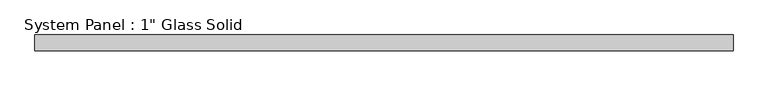
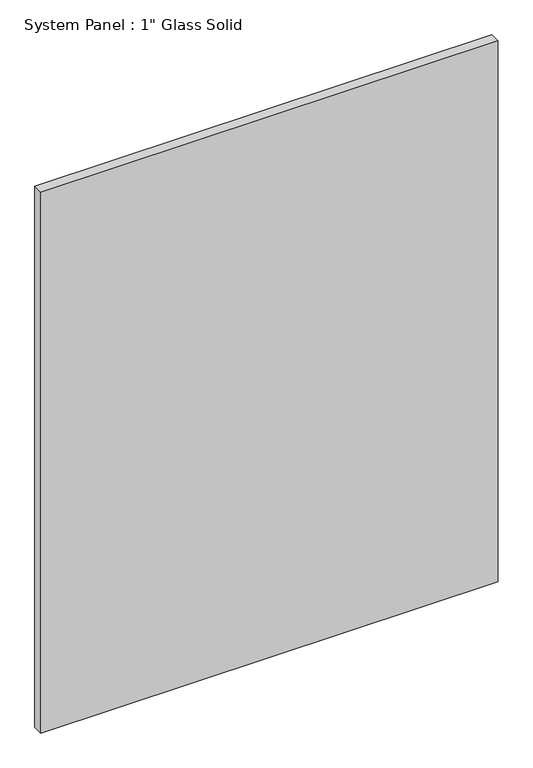
"""IFC4 building model written with IfcOpenShell, lengths in millimetres: plate geometry."""

from ifc_helpers import new_model, si_unit, origin, origin_with_axes, place, context, project, spatial, polyline, outline, extrude, source, transform, mapped, element, save


def plate_687ba94e(model_context):
    return source(origin(), model_context, "Body", "SweptSolid", [
        extrude(outline(polyline([(565.7305865, -12.7), (-565.7305865, -12.7), (-565.7305865, 12.7), (565.7305865, 12.7), (565.7305865, -12.7)])), origin_with_axes(), (0.0, 0.0, 1.0), 1413.6241382),
    ])


if __name__ == "__main__":
    model = new_model("IFC4")
    model_context = context("Model", 3, world=origin())
    ifc_project = project(units=[si_unit("LENGTHUNIT", "METRE", prefix="MILLI")], contexts=[model_context])
    site = spatial("IfcSite", under=ifc_project)
    building = spatial("IfcBuilding", under=site)
    placement = place(None, origin())
    plate_shape = plate_687ba94e(model_context)
    element("IfcPlate", 1, ObjectType="System Panel : 1\" Glass Solid", at=placement, inside=building, context=model_context, shape_type="MappedRepresentation", body=[
        mapped(plate_shape, transform((0.0, 0.0, 0.0), x_axis=(1.0, 0.0, 0.0), y_axis=(0.0, 1.0, 0.0), z_axis=(0.0, 0.0, 1.0))),
    ])
    save(model, "model.ifc")
